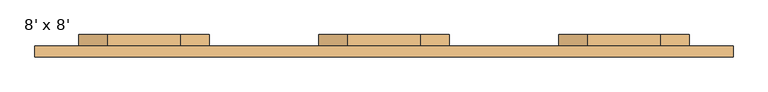
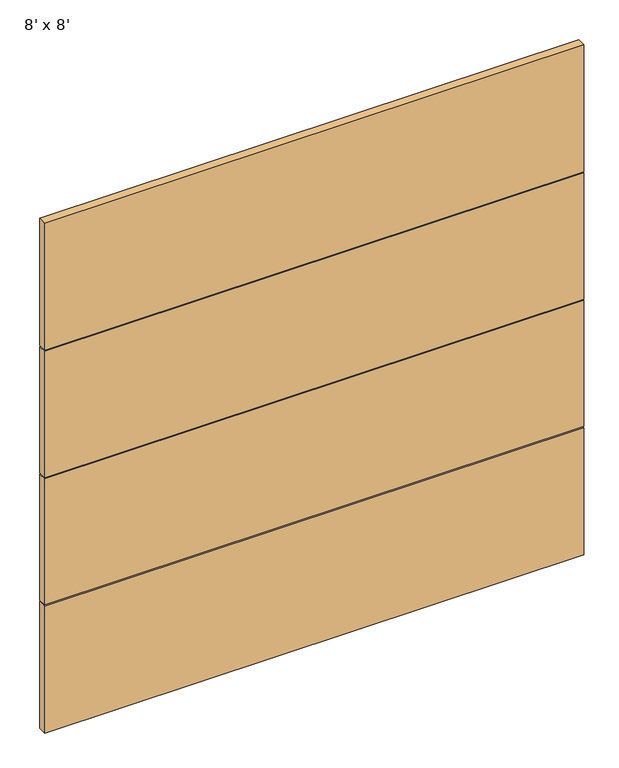
"""IFC4 building model written with IfcOpenShell, lengths in millimetres: door geometry, 8' x 8'."""

from ifc_helpers import new_model, si_unit, point, frame, frame_2d, origin, place, context, project, spatial, polyline, circle_curve, trimmed, segment, composite_curve, outline, extrude, faceted_brep, source, transform, mapped, element, save
from ifc_brep_helpers import plane_surface, revolved_surface, advanced_brep


def door_8_x_8_30716134(model_context):
    return source(origin(), model_context, "Body", "SolidModel", [
        extrude(outline(composite_curve([segment(trimmed(circle_curve(frame_2d((1651.5824612, -127.0)), 101.6), [point((1753.1824612, -127.0))], [point((1651.5824612, -228.6))], False, "CARTESIAN"), True, "CONTINUOUS"), segment(polyline([(1651.5824612, -228.6), (1397.1941537, -228.6)]), True, "CONTINUOUS"), segment(trimmed(circle_curve(frame_2d((1397.1941537, -127.0)), 101.6), [point((1397.1941537, -228.6))], [point((1295.5941537, -127.0))], False, "CARTESIAN"), True, "CONTINUOUS"), segment(polyline([(1295.5941537, -127.0), (1295.5941537, 127.0)]), True, "CONTINUOUS"), segment(trimmed(circle_curve(frame_2d((1397.1941537, 127.0)), 101.6), [point((1295.5941537, 127.0))], [point((1397.1941537, 228.6))], False, "CARTESIAN"), True, "CONTINUOUS"), segment(polyline([(1397.1941537, 228.6), (1651.5824612, 228.6)]), True, "CONTINUOUS"), segment(trimmed(circle_curve(frame_2d((1651.5824612, 127.0)), 101.6), [point((1651.5824612, 228.6))], [point((1753.1824612, 127.0))], False, "CARTESIAN"), True, "CONTINUOUS"), segment(polyline([(1753.1824612, 127.0), (1753.1824612, -127.0)]), True, "CONTINUOUS")], self_intersect=False)), frame((0.0, 139.7, 0.0), z_axis=(0.0, 1.0, 0.0), x_axis=(0.0, 0.0, 1.0)), (0.0, 0.0, 1.0), 38.1),
        extrude(outline(composite_curve([segment(trimmed(circle_curve(frame_2d((1651.5824612, 711.2)), 101.6), [point((1753.1824612, 711.2))], [point((1651.5824612, 609.6))], False, "CARTESIAN"), True, "CONTINUOUS"), segment(polyline([(1651.5824612, 609.6), (1397.1941537, 609.6)]), True, "CONTINUOUS"), segment(trimmed(circle_curve(frame_2d((1397.1941537, 711.2)), 101.6), [point((1397.1941537, 609.6))], [point((1295.5941537, 711.2))], False, "CARTESIAN"), True, "CONTINUOUS"), segment(polyline([(1295.5941537, 711.2), (1295.5941537, 965.2)]), True, "CONTINUOUS"), segment(trimmed(circle_curve(frame_2d((1397.1941537, 965.2)), 101.6), [point((1295.5941537, 965.2))], [point((1397.1941537, 1066.8))], False, "CARTESIAN"), True, "CONTINUOUS"), segment(polyline([(1397.1941537, 1066.8), (1651.5824612, 1066.8)]), True, "CONTINUOUS"), segment(trimmed(circle_curve(frame_2d((1651.5824612, 965.2)), 101.6), [point((1651.5824612, 1066.8))], [point((1753.1824612, 965.2))], False, "CARTESIAN"), True, "CONTINUOUS"), segment(polyline([(1753.1824612, 965.2), (1753.1824612, 711.2)]), True, "CONTINUOUS")], self_intersect=False)), frame((0.0, 139.7, 0.0), z_axis=(0.0, 1.0, 0.0), x_axis=(0.0, 0.0, 1.0)), (0.0, 0.0, 1.0), 38.1),
        faceted_brep([(1219.2, 100.0, 0.0), (-1219.2, 100.0, 0.0), (-1219.2, 138.1, 0.0), (1219.2, 138.1, 0.0), (1219.2, 138.1, 606.425), (1219.2, 100.0, 606.425), (-1219.2, 138.1, 606.425), (-1219.2, 100.0, 606.425)], [[[0, 1, 2, 3]], [[3, 4, 5, 0]], [[2, 6, 4, 3]], [[1, 7, 6, 2]], [[0, 5, 7, 1]], [[5, 4, 6, 7]]]),
        faceted_brep([(1219.2, 138.1, 612.775), (1219.2, 138.1, 1216.025), (1219.2, 100.0, 1216.025), (1219.2, 100.0, 612.775), (-1219.2, 138.1, 612.775), (-1219.2, 138.1, 1216.025), (-1219.2, 100.0, 612.775), (-1219.2, 100.0, 1216.025)], [[[0, 1, 2, 3]], [[4, 5, 1, 0]], [[6, 7, 5, 4]], [[3, 2, 7, 6]], [[6, 4, 0, 3]], [[2, 1, 5, 7]]]),
        faceted_brep([(1219.2, 100.0, 2438.4), (1219.2, 100.0, 1831.975), (1219.2, 138.1, 1831.975), (1219.2, 138.1, 2438.4), (-1219.2, 138.1, 1831.975), (-1219.2, 138.1, 2438.4), (-1219.2, 100.0, 1831.975), (-1219.2, 100.0, 2438.4)], [[[0, 1, 2, 3]], [[3, 2, 4, 5]], [[5, 4, 6, 7]], [[7, 6, 1, 0]], [[0, 3, 5, 7]], [[6, 4, 2, 1]]]),
        advanced_brep(
        [(1219.2, 138.1, 1222.375), (1219.2, 138.1, 1825.625), (1219.2, 100.0, 1825.625), (1219.2, 100.0, 1222.375), (-1219.2, 138.1, 1222.375), (-1219.2, 138.1, 1825.625), (609.6, 138.1, 1397.1941537), (711.2, 138.1, 1295.5941537), (965.2, 138.1, 1295.5941537), (1066.8, 138.1, 1397.1941537), (1066.8, 138.1, 1651.5824612), (965.2, 138.1, 1753.1824612), (711.2, 138.1, 1753.1824612), (609.6, 138.1, 1651.5824612), (-1066.8, 138.1, 1397.1941537), (-965.2, 138.1, 1295.5941537), (-711.2, 138.1, 1295.5941537), (-609.6, 138.1, 1397.1941537), (-609.6, 138.1, 1651.5824612), (-711.2, 138.1, 1753.1824612), (-965.2, 138.1, 1753.1824612), (-1066.8, 138.1, 1651.5824612), (-228.6, 138.1, 1397.1941537), (-127.0, 138.1, 1295.5941537), (127.0, 138.1, 1295.5941537), (228.6, 138.1, 1397.1941537), (228.6, 138.1, 1651.5824612), (127.0, 138.1, 1753.1824612), (-127.0, 138.1, 1753.1824612), (-228.6, 138.1, 1651.5824612), (-1219.2, 100.0, 1222.375), (-1219.2, 100.0, 1825.625), (711.2, 120.65, 1753.1824612), (965.2, 120.65, 1753.1824612), (1066.8, 120.65, 1651.5824612), (1066.8, 120.65, 1397.1941537), (965.2, 120.65, 1295.5941537), (711.2, 120.65, 1295.5941537), (609.6, 120.65, 1397.1941537), (609.6, 120.65, 1651.5824612), (-965.2, 120.65, 1753.1824612), (-711.2, 120.65, 1753.1824612), (-609.6, 120.65, 1651.5824612), (-609.6, 120.65, 1397.1941537), (-711.2, 120.65, 1295.5941537), (-965.2, 120.65, 1295.5941537), (-1066.8, 120.65, 1397.1941537), (-1066.8, 120.65, 1651.5824612), (-127.0, 120.65, 1753.1824612), (127.0, 120.65, 1753.1824612), (228.6, 120.65, 1651.5824612), (228.6, 120.65, 1397.1941537), (127.0, 120.65, 1295.5941537), (-127.0, 120.65, 1295.5941537), (-228.6, 120.65, 1397.1941537), (-228.6, 120.65, 1651.5824612)],
        [
            (0, 1),
            (1, 2),
            (2, 3),
            (3, 0),
            (4, 5),
            (5, 1),
            (0, 4),
            (6, 7, circle_curve(frame((711.2, 138.1, 1397.1941537), z_axis=(0.0, -1.0, 0.0), x_axis=(1.0, 0.0, 0.0)), 101.6)),
            (7, 8),
            (8, 9, circle_curve(frame((965.2, 138.1, 1397.1941537), z_axis=(0.0, -1.0, 0.0), x_axis=(1.0, 0.0, 0.0)), 101.6)),
            (9, 10),
            (10, 11, circle_curve(frame((965.2, 138.1, 1651.5824612), z_axis=(0.0, -1.0, 0.0), x_axis=(1.0, 0.0, 0.0)), 101.6)),
            (11, 12),
            (12, 13, circle_curve(frame((711.2, 138.1, 1651.5824612), z_axis=(0.0, -1.0, 0.0), x_axis=(1.0, 0.0, 0.0)), 101.6)),
            (13, 6),
            (14, 15, circle_curve(frame((-965.2, 138.1, 1397.1941537), z_axis=(0.0, -1.0, 0.0), x_axis=(1.0, 0.0, 0.0)), 101.6)),
            (15, 16),
            (16, 17, circle_curve(frame((-711.2, 138.1, 1397.1941537), z_axis=(0.0, -1.0, 0.0), x_axis=(1.0, 0.0, 0.0)), 101.6)),
            (17, 18),
            (18, 19, circle_curve(frame((-711.2, 138.1, 1651.5824612), z_axis=(0.0, -1.0, 0.0), x_axis=(1.0, 0.0, 0.0)), 101.6)),
            (19, 20),
            (20, 21, circle_curve(frame((-965.2, 138.1, 1651.5824612), z_axis=(0.0, -1.0, 0.0), x_axis=(1.0, 0.0, 0.0)), 101.6)),
            (21, 14),
            (22, 23, circle_curve(frame((-127.0, 138.1, 1397.1941537), z_axis=(0.0, -1.0, 0.0), x_axis=(1.0, 0.0, 0.0)), 101.6)),
            (23, 24),
            (24, 25, circle_curve(frame((127.0, 138.1, 1397.1941537), z_axis=(0.0, -1.0, 0.0), x_axis=(1.0, 0.0, 0.0)), 101.6)),
            (25, 26),
            (26, 27, circle_curve(frame((127.0, 138.1, 1651.5824612), z_axis=(0.0, -1.0, 0.0), x_axis=(1.0, 0.0, 0.0)), 101.6)),
            (27, 28),
            (28, 29, circle_curve(frame((-127.0, 138.1, 1651.5824612), z_axis=(0.0, -1.0, 0.0), x_axis=(1.0, 0.0, 0.0)), 101.6)),
            (29, 22),
            (30, 31),
            (31, 5),
            (4, 30),
            (2, 31),
            (30, 3),
            (32, 33),
            (33, 34, circle_curve(frame((965.2, 120.65, 1651.5824612), z_axis=(0.0, 1.0, 0.0), x_axis=(1.0, 0.0, 0.0)), 101.6)),
            (34, 35),
            (35, 36, circle_curve(frame((965.2, 120.65, 1397.1941537), z_axis=(0.0, 1.0, 0.0), x_axis=(1.0, 0.0, 0.0)), 101.6)),
            (36, 37),
            (37, 38, circle_curve(frame((711.2, 120.65, 1397.1941537), z_axis=(0.0, 1.0, 0.0), x_axis=(1.0, 0.0, 0.0)), 101.6)),
            (38, 39),
            (39, 32, circle_curve(frame((711.2, 120.65, 1651.5824612), z_axis=(0.0, 1.0, 0.0), x_axis=(1.0, 0.0, 0.0)), 101.6)),
            (38, 6),
            (13, 39),
            (36, 8),
            (7, 37),
            (34, 10),
            (9, 35),
            (32, 12),
            (11, 33),
            (40, 41),
            (41, 42, circle_curve(frame((-711.2, 120.65, 1651.5824612), z_axis=(0.0, 1.0, 0.0), x_axis=(1.0, 0.0, 0.0)), 101.6)),
            (42, 43),
            (43, 44, circle_curve(frame((-711.2, 120.65, 1397.1941537), z_axis=(0.0, 1.0, 0.0), x_axis=(1.0, 0.0, 0.0)), 101.6)),
            (44, 45),
            (45, 46, circle_curve(frame((-965.2, 120.65, 1397.1941537), z_axis=(0.0, 1.0, 0.0), x_axis=(1.0, 0.0, 0.0)), 101.6)),
            (46, 47),
            (47, 40, circle_curve(frame((-965.2, 120.65, 1651.5824612), z_axis=(0.0, 1.0, 0.0), x_axis=(1.0, 0.0, 0.0)), 101.6)),
            (46, 14),
            (21, 47),
            (44, 16),
            (15, 45),
            (42, 18),
            (17, 43),
            (40, 20),
            (19, 41),
            (48, 49),
            (49, 50, circle_curve(frame((127.0, 120.65, 1651.5824612), z_axis=(0.0, 1.0, 0.0), x_axis=(1.0, 0.0, 0.0)), 101.6)),
            (50, 51),
            (51, 52, circle_curve(frame((127.0, 120.65, 1397.1941537), z_axis=(0.0, 1.0, 0.0), x_axis=(1.0, 0.0, 0.0)), 101.6)),
            (52, 53),
            (53, 54, circle_curve(frame((-127.0, 120.65, 1397.1941537), z_axis=(0.0, 1.0, 0.0), x_axis=(1.0, 0.0, 0.0)), 101.6)),
            (54, 55),
            (55, 48, circle_curve(frame((-127.0, 120.65, 1651.5824612), z_axis=(0.0, 1.0, 0.0), x_axis=(1.0, 0.0, 0.0)), 101.6)),
            (54, 22),
            (29, 55),
            (52, 24),
            (23, 53),
            (50, 26),
            (25, 51),
            (48, 28),
            (27, 49),
        ],
        [
            plane_surface(frame((1219.2, 138.1, 2438.4), z_axis=(1.0, 0.0, 0.0), x_axis=(0.0, 0.0, -1.0))),
            plane_surface(frame((-1219.2, 138.1, 2438.4), z_axis=(0.0, 1.0, 0.0), x_axis=(0.0, 0.0, -1.0))),
            plane_surface(frame((-1219.2, 100.0, 2438.4), z_axis=(-1.0, 0.0, 0.0), x_axis=(0.0, 0.0, -1.0))),
            plane_surface(frame((1219.2, 100.0, 2438.4), z_axis=(0.0, -1.0, 0.0), x_axis=(0.0, 0.0, -1.0))),
            plane_surface(frame((812.8, 120.65, 1651.5824612), z_axis=(0.0, 1.0, 0.0), x_axis=(0.0, 0.0, -1.0))),
            plane_surface(frame((609.6, 158.75, 1651.5824612), z_axis=(1.0, 0.0, 0.0), x_axis=(0.0, -1.0, 0.0))),
            plane_surface(frame((711.2, 158.75, 1295.5941537), z_axis=(0.0, 0.0, 1.0), x_axis=(0.0, -1.0, 0.0))),
            plane_surface(frame((1066.8, 158.75, 1397.1941537), z_axis=(-1.0, 0.0, 0.0), x_axis=(0.0, -1.0, 0.0))),
            plane_surface(frame((965.2, 158.75, 1753.1824612), z_axis=(0.0, 0.0, -1.0), x_axis=(0.0, -1.0, 0.0))),
            plane_surface(frame((-863.6, 120.65, 1651.5824612), z_axis=(0.0, 1.0, 0.0), x_axis=(0.0, 0.0, -1.0))),
            plane_surface(frame((-1066.8, 158.75, 1651.5824612), z_axis=(1.0, 0.0, 0.0), x_axis=(0.0, -1.0, 0.0))),
            plane_surface(frame((-965.2, 158.75, 1295.5941537), z_axis=(0.0, 0.0, 1.0), x_axis=(0.0, -1.0, 0.0))),
            plane_surface(frame((-609.6, 158.75, 1397.1941537), z_axis=(-1.0, 0.0, 0.0), x_axis=(0.0, -1.0, 0.0))),
            plane_surface(frame((-711.2, 158.75, 1753.1824612), z_axis=(0.0, 0.0, -1.0), x_axis=(0.0, -1.0, 0.0))),
            plane_surface(frame((-25.4, 120.65, 1651.5824612), z_axis=(0.0, 1.0, 0.0), x_axis=(0.0, 0.0, -1.0))),
            plane_surface(frame((-228.6, 158.75, 1651.5824612), z_axis=(1.0, 0.0, 0.0), x_axis=(0.0, -1.0, 0.0))),
            plane_surface(frame((-127.0, 158.75, 1295.5941537), z_axis=(0.0, 0.0, 1.0), x_axis=(0.0, -1.0, 0.0))),
            plane_surface(frame((228.6, 158.75, 1397.1941537), z_axis=(-1.0, 0.0, 0.0), x_axis=(0.0, -1.0, 0.0))),
            plane_surface(frame((127.0, 158.75, 1753.1824612), z_axis=(0.0, 0.0, -1.0), x_axis=(0.0, -1.0, 0.0))),
            revolved_surface(polyline([(-863.6, 138.1, 1651.5824612), (-863.6, 120.65, 1651.5824612)]), (-965.2, 120.65, 1651.5824612), (0.0, 1.0, 0.0)),
            revolved_surface(polyline([(-863.6, 138.1, 1397.1941537), (-863.6, 120.65, 1397.1941537)]), (-965.2, 120.65, 1397.1941537), (0.0, 1.0, 0.0)),
            revolved_surface(polyline([(-609.6, 138.1, 1651.5824612), (-609.6, 120.65, 1651.5824612)]), (-711.2, 120.65, 1651.5824612), (0.0, 1.0, 0.0)),
            revolved_surface(polyline([(-25.400000000000006, 138.1, 1397.1941537), (-25.400000000000006, 120.65, 1397.1941537)]), (-127.0, 120.65, 1397.1941537), (0.0, 1.0, 0.0)),
            revolved_surface(polyline([(228.6, 138.1, 1651.5824612), (228.6, 120.65, 1651.5824612)]), (127.0, 120.65, 1651.5824612), (0.0, 1.0, 0.0)),
            revolved_surface(polyline([(812.8000000000001, 138.1, 1651.5824612), (812.8000000000001, 120.65, 1651.5824612)]), (711.2, 120.65, 1651.5824612), (0.0, 1.0, 0.0)),
            revolved_surface(polyline([(812.8000000000001, 138.1, 1397.1941537), (812.8000000000001, 120.65, 1397.1941537)]), (711.2, 120.65, 1397.1941537), (0.0, 1.0, 0.0)),
            revolved_surface(polyline([(-25.400000000000006, 138.1, 1651.5824612), (-25.400000000000006, 120.65, 1651.5824612)]), (-127.0, 120.65, 1651.5824612), (0.0, 1.0, 0.0)),
            revolved_surface(polyline([(228.6, 138.1, 1397.1941537), (228.6, 120.65, 1397.1941537)]), (127.0, 120.65, 1397.1941537), (0.0, 1.0, 0.0)),
            revolved_surface(polyline([(-609.6, 138.1, 1397.1941537), (-609.6, 120.65, 1397.1941537)]), (-711.2, 120.65, 1397.1941537), (0.0, 1.0, 0.0)),
            revolved_surface(polyline([(1066.8, 138.1, 1397.1941537), (1066.8, 120.65, 1397.1941537)]), (965.2, 120.65, 1397.1941537), (0.0, 1.0, 0.0)),
            revolved_surface(polyline([(1066.8, 138.1, 1651.5824612), (1066.8, 120.65, 1651.5824612)]), (965.2, 120.65, 1651.5824612), (0.0, 1.0, 0.0)),
            plane_surface(frame((-3048.0, -482.6, 1222.375), z_axis=(0.0, 0.0, -1.0), x_axis=(0.0, 1.0, 0.0))),
            plane_surface(frame((3048.0, -482.6, 1825.625), z_axis=(0.0, 0.0, 1.0), x_axis=(0.0, 1.0, 0.0))),
        ],
        [
            (0, [[1, 2, 3, 4]]),
            (1, [[5, 6, -1, 7], [8, 9, 10, 11, 12, 13, 14, 15], [16, 17, 18, 19, 20, 21, 22, 23], [24, 25, 26, 27, 28, 29, 30, 31]]),
            (2, [[32, 33, -5, 34]]),
            (3, [[-3, 35, -32, 36]]),
            (4, [[37, 38, 39, 40, 41, 42, 43, 44]]),
            (5, [[45, -15, 46, -43]]),
            (6, [[47, -9, 48, -41]]),
            (7, [[49, -11, 50, -39]]),
            (8, [[51, -13, 52, -37]]),
            (9, [[53, 54, 55, 56, 57, 58, 59, 60]]),
            (10, [[61, -23, 62, -59]]),
            (11, [[63, -17, 64, -57]]),
            (12, [[65, -19, 66, -55]]),
            (13, [[67, -21, 68, -53]]),
            (14, [[69, 70, 71, 72, 73, 74, 75, 76]]),
            (15, [[77, -31, 78, -75]]),
            (16, [[79, -25, 80, -73]]),
            (17, [[81, -27, 82, -71]]),
            (18, [[83, -29, 84, -69]]),
            (19, [[-62, -22, -67, -60]]),
            (20, [[-64, -16, -61, -58]]),
            (21, [[-68, -20, -65, -54]]),
            (22, [[-80, -24, -77, -74]]),
            (23, [[-84, -28, -81, -70]]),
            (24, [[-46, -14, -51, -44]]),
            (25, [[-48, -8, -45, -42]]),
            (26, [[-78, -30, -83, -76]]),
            (27, [[-82, -26, -79, -72]]),
            (28, [[-66, -18, -63, -56]]),
            (29, [[-50, -10, -47, -40]]),
            (30, [[-52, -12, -49, -38]]),
            (31, [[-34, -7, -4, -36]]),
            (32, [[-2, -6, -33, -35]]),
        ],
    ),
        extrude(outline(composite_curve([segment(trimmed(circle_curve(frame_2d((1651.5824612, -965.2)), 101.6), [point((1753.1824612, -965.2))], [point((1651.5824612, -1066.8))], False, "CARTESIAN"), True, "CONTINUOUS"), segment(polyline([(1651.5824612, -1066.8), (1397.1941537, -1066.8)]), True, "CONTINUOUS"), segment(trimmed(circle_curve(frame_2d((1397.1941537, -965.2)), 101.6), [point((1397.1941537, -1066.8))], [point((1295.5941537, -965.2))], False, "CARTESIAN"), True, "CONTINUOUS"), segment(polyline([(1295.5941537, -965.2), (1295.5941537, -711.2)]), True, "CONTINUOUS"), segment(trimmed(circle_curve(frame_2d((1397.1941537, -711.2)), 101.6), [point((1295.5941537, -711.2))], [point((1397.1941537, -609.6))], False, "CARTESIAN"), True, "CONTINUOUS"), segment(polyline([(1397.1941537, -609.6), (1651.5824612, -609.6)]), True, "CONTINUOUS"), segment(trimmed(circle_curve(frame_2d((1651.5824612, -711.2)), 101.6), [point((1651.5824612, -609.6))], [point((1753.1824612, -711.2))], False, "CARTESIAN"), True, "CONTINUOUS"), segment(polyline([(1753.1824612, -711.2), (1753.1824612, -965.2)]), True, "CONTINUOUS")], self_intersect=False)), frame((0.0, 139.7, 0.0), z_axis=(0.0, 1.0, 0.0), x_axis=(0.0, 0.0, 1.0)), (0.0, 0.0, 1.0), 38.1),
    ])


if __name__ == "__main__":
    model = new_model("IFC4")
    model_context = context("Model", 3, world=origin())
    ifc_project = project(units=[si_unit("LENGTHUNIT", "METRE", prefix="MILLI")], contexts=[model_context])
    site = spatial("IfcSite", under=ifc_project)
    building = spatial("IfcBuilding", under=site)
    placement = place(None, origin())
    door_8_x_8_shape = door_8_x_8_30716134(model_context)
    element("IfcDoor", 1, ObjectType="8' x 8'", at=placement, inside=building, context=model_context, shape_type="MappedRepresentation", body=[
        mapped(door_8_x_8_shape, transform((0.0, 0.0, 0.0), x_axis=(1.0, 0.0, 0.0), y_axis=(0.0, 1.0, 0.0), z_axis=(0.0, 0.0, 1.0))),
    ])
    save(model, "model.ifc")
